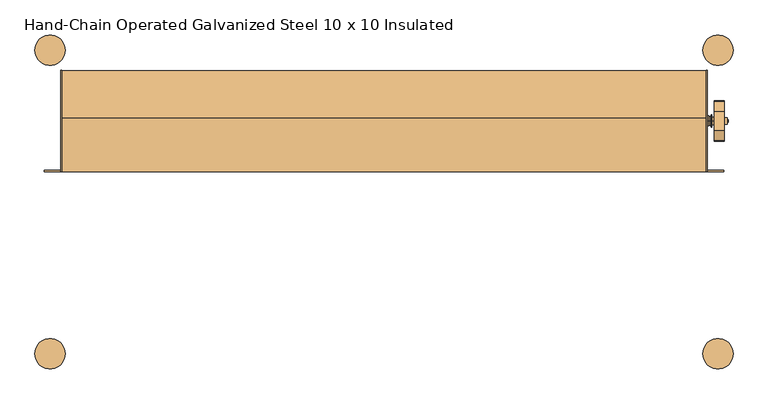
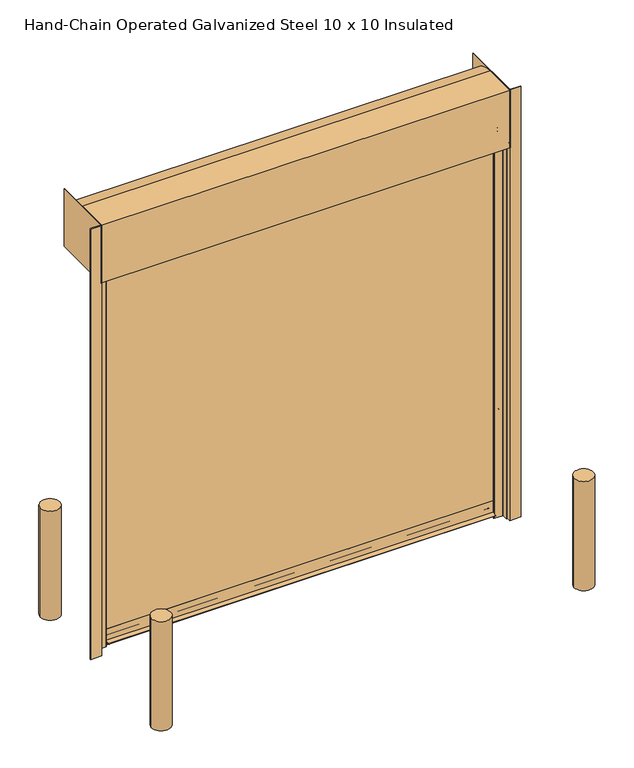
"""IFC4 building model written with IfcOpenShell, lengths in millimetres: door geometry, Hand-Chain Operated Galvanized Steel 10 x 10 Insulated."""

import ifcopenshell
import ifcopenshell.guid

model = None  # the IFC model being written
_history = None  # IfcOwnerHistory: only IFC2X3 demands one
_inside = {}  # id of a spatial element -> (the spatial element, [elements in it])
_under = {}  # id of a project, library or spatial element -> (it, [spatial elements below it])
_declared = {}  # id of a project -> (the project, [libraries it declares])
_typed = {}  # id of a type object -> (the type object, [elements of that type])
_made_of = {}  # id of a material, layer set ... -> (it, [elements and type objects made of it])


def new_model(schema):
    """Start an empty IFC model of exactly this schema.

    Asked for "IFC4X3", IfcOpenShell would pick the latest addendum, in which some entities
    have other attributes; the version numbers below select the first issue.
    IFC2X3 requires an IfcOwnerHistory on every rooted entity: one is made here for all.
    """
    global model, _history
    if schema == "IFC4X3":
        model = ifcopenshell.file(schema_version=(4, 3, 0, 0))
    else:
        model = ifcopenshell.file(schema=schema)
    _inside.clear()
    _under.clear()
    _declared.clear()
    _typed.clear()
    _made_of.clear()
    _history = None
    if model.schema == "IFC2X3":
        org = make("IfcOrganization", Name="unknown")
        user = make(
            "IfcPersonAndOrganization",
            ThePerson=make("IfcPerson", FamilyName="unknown"),
            TheOrganization=org,
        )
        app = make(
            "IfcApplication",
            ApplicationDeveloper=org,
            Version="unknown",
            ApplicationFullName="unknown",
            ApplicationIdentifier="unknown",
        )
        _history = make(
            "IfcOwnerHistory",
            OwningUser=user,
            OwningApplication=app,
            ChangeAction="ADDED",
            CreationDate=0,
        )
    return model


def make(cls, **values):
    """One entity of the class cls with the attributes given. An attribute that is None is left unset."""
    return model.create_entity(
        cls, **{name: value for name, value in values.items() if value is not None}
    )


def rooted(cls, **values):
    """An entity with a GlobalId (a new one), such as an element, a storey or a relation."""
    return make(cls, GlobalId=ifcopenshell.guid.new(), OwnerHistory=_history, **values)


def si_unit(unit_type, name, prefix=None):
    """IfcSIUnit, for example si_unit("LENGTHUNIT", "METRE", prefix="MILLI")."""
    return make("IfcSIUnit", UnitType=unit_type, Prefix=prefix, Name=name)


def assignment(units):
    """IfcUnitAssignment: the units of a project."""
    return None if units is None else make("IfcUnitAssignment", Units=units)


def point(xyz):
    """IfcCartesianPoint."""
    return None if xyz is None else make("IfcCartesianPoint", Coordinates=xyz)


def direction(xyz):
    """IfcDirection."""
    return None if xyz is None else make("IfcDirection", DirectionRatios=xyz)


def frame(location, z_axis=None, x_axis=None):
    """IfcAxis2Placement3D, a coordinate frame: its origin and axes. An axis left out is left unset."""
    return make(
        "IfcAxis2Placement3D",
        Location=point(location),
        Axis=direction(z_axis),
        RefDirection=direction(x_axis),
    )


def frame_2d(location, x_axis=None):
    """IfcAxis2Placement2D, a coordinate frame in the plane: its origin and x axis."""
    return make(
        "IfcAxis2Placement2D", Location=point(location), RefDirection=direction(x_axis)
    )


def origin():
    """The frame at (0, 0, 0) with its axes left unset."""
    return frame((0.0, 0.0, 0.0))


def origin_with_axes():
    """The frame at (0, 0, 0) with the z axis (0, 0, 1) and the x axis (1, 0, 0) written out."""
    return frame((0.0, 0.0, 0.0), z_axis=(0.0, 0.0, 1.0), x_axis=(1.0, 0.0, 0.0))


def place(relative_to, where):
    """IfcLocalPlacement: puts the frame where relative to a parent placement (None: the world)."""
    return make(
        "IfcLocalPlacement", PlacementRelTo=relative_to, RelativePlacement=where
    )


def context(
    kind, dimensions, precision=None, world=None, true_north=None, identifier=None
):
    """IfcGeometricRepresentationContext, for example the 3D "Model" context."""
    return make(
        "IfcGeometricRepresentationContext",
        ContextIdentifier=identifier,
        ContextType=kind,
        CoordinateSpaceDimension=dimensions,
        Precision=precision,
        WorldCoordinateSystem=world,
        TrueNorth=true_north,
    )


def project(units=None, contexts=None):
    """IfcProject with its units and contexts."""
    return rooted(
        "IfcProject",
        Name="project",
        RepresentationContexts=contexts,
        UnitsInContext=assignment(units),
    )


def spatial(cls, under=None, at=None, **own):
    """A site, building, storey or space (cls), placed at a placement, below another one or the project."""
    s = rooted(cls, ObjectPlacement=at, **own)
    if under is not None:
        _under.setdefault(under.id(), (under, []))[1].append(s)
    return s


def polyline(points):
    """IfcPolyline through the points."""
    return make("IfcPolyline", Points=[point(p) for p in points])


def circle_curve(where, radius):
    """IfcCircle in the frame where."""
    return make("IfcCircle", Position=where, Radius=radius)


def ellipse_curve(where, semi_axis1, semi_axis2):
    """IfcEllipse in the frame where."""
    return make(
        "IfcEllipse", Position=where, SemiAxis1=semi_axis1, SemiAxis2=semi_axis2
    )


def trimmed(basis, trim1, trim2, sense, master):
    """IfcTrimmedCurve: the piece of a basis curve between two trims."""
    return make(
        "IfcTrimmedCurve",
        BasisCurve=basis,
        Trim1=trim1,
        Trim2=trim2,
        SenseAgreement=sense,
        MasterRepresentation=master,
    )


def segment(curve, same_sense, transition):
    """IfcCompositeCurveSegment."""
    return make(
        "IfcCompositeCurveSegment",
        Transition=transition,
        SameSense=same_sense,
        ParentCurve=curve,
    )


def composite_curve(segments, self_intersect=None):
    """IfcCompositeCurve: segments joined end to end."""
    return make("IfcCompositeCurve", Segments=segments, SelfIntersect=self_intersect)


def outline(outer, holes=None, kind="AREA"):
    """IfcArbitraryClosedProfileDef: a profile drawn as a closed curve; with holes, ...WithVoids."""
    if holes is None:
        return make("IfcArbitraryClosedProfileDef", ProfileType=kind, OuterCurve=outer)
    return make(
        "IfcArbitraryProfileDefWithVoids",
        ProfileType=kind,
        OuterCurve=outer,
        InnerCurves=holes,
    )


def extrude(swept, where, along, depth):
    """IfcExtrudedAreaSolid: the profile swept, set in the frame where, extruded along a direction by depth."""
    return make(
        "IfcExtrudedAreaSolid",
        SweptArea=swept,
        Position=where,
        ExtrudedDirection=direction(along),
        Depth=depth,
    )


def shape(context_of_items, identifier, shape_type, items):
    """IfcShapeRepresentation: the items that make up one representation, for example the "Body"."""
    return make(
        "IfcShapeRepresentation",
        ContextOfItems=context_of_items,
        RepresentationIdentifier=identifier,
        RepresentationType=shape_type,
        Items=items,
    )


def source(mapping_origin, context_of_items, identifier, shape_type, items):
    """IfcRepresentationMap: a shape defined once, which mapped items show again and again."""
    return make(
        "IfcRepresentationMap",
        MappingOrigin=mapping_origin,
        MappedRepresentation=shape(context_of_items, identifier, shape_type, items),
    )


def transform(
    local_origin,
    x_axis=None,
    y_axis=None,
    z_axis=None,
    scale=None,
    scale2=None,
    scale3=None,
    uniform=True,
):
    """IfcCartesianTransformationOperator3D, or its non-uniform kind. x_axis, y_axis, z_axis: its Axis1, 2, 3."""
    if uniform:
        return make(
            "IfcCartesianTransformationOperator3D",
            Axis1=direction(x_axis),
            Axis2=direction(y_axis),
            LocalOrigin=point(local_origin),
            Scale=scale,
            Axis3=direction(z_axis),
        )
    return make(
        "IfcCartesianTransformationOperator3DnonUniform",
        Axis1=direction(x_axis),
        Axis2=direction(y_axis),
        LocalOrigin=point(local_origin),
        Scale=scale,
        Axis3=direction(z_axis),
        Scale2=scale2,
        Scale3=scale3,
    )


def mapped(mapping_source, mapping_target):
    """IfcMappedItem: shows the shape of a source again, moved by a transform."""
    return make(
        "IfcMappedItem", MappingSource=mapping_source, MappingTarget=mapping_target
    )


def made_of(thing, what):
    """Note that an element or type object is made of a material, layer set ...; save() writes the relation."""
    if what is not None:
        _made_of.setdefault(what.id(), (what, []))[1].append(thing)
    return thing


def element(
    cls,
    number,
    at=None,
    inside=None,
    cuts=None,
    type_object=None,
    material=None,
    context=None,
    identifier="Body",
    shape_type=None,
    held_by="IfcProductDefinitionShape",
    body=None,
    shapes=None,
    **own,
):
    """One element of the class cls, such as IfcWall. Its Tag is "e" and its number.

    at: its placement. inside: the storey or other place that contains it. cuts: it is an
    opening in that element (IfcRelVoidsElement). A single representation is given by context,
    identifier, shape_type and body (its items); several are given by shapes. held_by: the class
    of the entity that holds the representations. save() writes the other relations.
    """
    e = rooted(cls, Tag="e%d" % number, ObjectPlacement=at, **own)
    if body is not None:
        shapes = [shape(context, identifier, shape_type, body)]
    if shapes is not None:
        e.Representation = make(held_by, Representations=shapes)
    if inside is not None:
        _inside.setdefault(inside.id(), (inside, []))[1].append(e)
    if cuts is not None:
        rooted(
            "IfcRelVoidsElement", RelatingBuildingElement=cuts, RelatedOpeningElement=e
        )
    if type_object is not None:
        _typed.setdefault(type_object.id(), (type_object, []))[1].append(e)
    return made_of(e, material)


def aggregate(whole, parts):
    """IfcRelAggregates: a whole, such as a stair, and the parts it consists of."""
    return rooted("IfcRelAggregates", RelatingObject=whole, RelatedObjects=parts)


def save(model, path):
    """Write the relations noted so far, then the file.

    IfcRelAggregates (storeys below a building ...), IfcRelContainedInSpatialStructure (elements
    in a storey), IfcRelDefinesByType, IfcRelAssociatesMaterial and IfcRelDeclares: one each for
    every whole, place, type object, material and project.
    """
    for whole, parts in _under.values():
        aggregate(whole, parts)
    for where, things in _inside.values():
        rooted(
            "IfcRelContainedInSpatialStructure",
            RelatedElements=things,
            RelatingStructure=where,
        )
    for kind, things in _typed.values():
        rooted("IfcRelDefinesByType", RelatedObjects=things, RelatingType=kind)
    for what, things in _made_of.values():
        rooted("IfcRelAssociatesMaterial", RelatedObjects=things, RelatingMaterial=what)
    for by, libraries in _declared.values():
        rooted("IfcRelDeclares", RelatingContext=by, RelatedDefinitions=libraries)
    model.write(path)


def plane_surface(at):
    """IfcPlane: the flat surface through the origin of the frame at, square to its z axis."""
    return make("IfcPlane", Position=at)


def cylinder_surface(at, radius):
    """IfcCylindricalSurface: all points at the distance radius from the z axis of the frame at."""
    return make("IfcCylindricalSurface", Position=at, Radius=radius)


def revolved_surface(curve, axis_point, axis_direction):
    """IfcSurfaceOfRevolution: the curve turned about the line through axis_point along axis_direction."""
    return make(
        "IfcSurfaceOfRevolution",
        SweptCurve=make("IfcArbitraryOpenProfileDef", ProfileType="CURVE", Curve=curve),
        AxisPosition=make("IfcAxis1Placement", Location=point(axis_point), Axis=direction(axis_direction)),
    )


def advanced_brep(points, edges, surfaces, faces):
    """IfcAdvancedBrep: a solid bounded by faces that lie on surfaces and meet in shared edges.

    An edge is (start, end): straight between two places in points (the first is 0);
    or (start, end, curve); or (start, end, curve, False) where it runs against its curve.
    A face is (place in surfaces, loops), or (place, loops, False) where it looks against
    its surface's normal. A loop lists edges by number (the first is 1), with a minus sign
    where the edge is run from its end to its start. The first loop is the outer one.
    """
    corners = [point(p) for p in points]
    vertices = [make("IfcVertexPoint", VertexGeometry=c) for c in corners]
    made = []
    for start, end, *more in edges:
        made.append(
            make(
                "IfcEdgeCurve",
                EdgeStart=vertices[start],
                EdgeEnd=vertices[end],
                EdgeGeometry=more[0] if more else make("IfcPolyline", Points=[corners[start], corners[end]]),
                SameSense=more[1] if len(more) > 1 else True,
            )
        )
    hull = []
    for where, loops, *sense in faces:
        bounds = []
        for j, loop in enumerate(loops):
            ring = [make("IfcOrientedEdge", EdgeElement=made[abs(k) - 1], Orientation=k > 0) for k in loop]
            bounds.append(
                make(
                    "IfcFaceOuterBound" if j == 0 else "IfcFaceBound",
                    Bound=make("IfcEdgeLoop", EdgeList=ring),
                    Orientation=True,
                )
            )
        hull.append(make("IfcAdvancedFace", Bounds=bounds, FaceSurface=surfaces[where], SameSense=sense[0] if sense else True))
    return make("IfcAdvancedBrep", Outer=make("IfcClosedShell", CfsFaces=hull))


def hand_chain_operated_galvanized_steel_10_x_10_insulated_cacea066(model_context):
    return source(origin(), model_context, "Body", "SolidModel", [
        extrude(outline(composite_curve([segment(trimmed(circle_curve(frame_2d((-762.0, 762.0)), 76.2), [point((-838.2, 762.0))], [point((-685.8, 762.0))], False, "CARTESIAN"), True, "CONTINUOUS"), segment(trimmed(circle_curve(frame_2d((-762.0, 762.0)), 76.2), [point((-685.8, 762.0))], [point((-838.2, 762.0))], False, "CARTESIAN"), True, "CONTINUOUS")], self_intersect=False)), origin_with_axes(), (0.0, 0.0, 1.0), 914.4),
        extrude(outline(composite_curve([segment(trimmed(circle_curve(frame_2d((2590.8, 762.0)), 76.2), [point((2514.6, 762.0))], [point((2667.0, 762.0))], False, "CARTESIAN"), True, "CONTINUOUS"), segment(trimmed(circle_curve(frame_2d((2590.8, 762.0)), 76.2), [point((2667.0, 762.0))], [point((2514.6, 762.0))], False, "CARTESIAN"), True, "CONTINUOUS")], self_intersect=False)), origin_with_axes(), (0.0, 0.0, 1.0), 914.4),
        extrude(outline(composite_curve([segment(trimmed(circle_curve(frame_2d((2590.8, -762.0)), 76.2), [point((2667.0, -762.0))], [point((2514.6, -762.0))], False, "CARTESIAN"), True, "CONTINUOUS"), segment(trimmed(circle_curve(frame_2d((2590.8, -762.0)), 76.2), [point((2514.6, -762.0))], [point((2667.0, -762.0))], False, "CARTESIAN"), True, "CONTINUOUS")], self_intersect=False)), origin_with_axes(), (0.0, 0.0, 1.0), 914.4),
        extrude(outline(composite_curve([segment(trimmed(circle_curve(frame_2d((-762.0, -762.0)), 76.2), [point((-838.2, -762.0))], [point((-685.8, -762.0))], False, "CARTESIAN"), True, "CONTINUOUS"), segment(trimmed(circle_curve(frame_2d((-762.0, -762.0)), 76.2), [point((-685.8, -762.0))], [point((-838.2, -762.0))], False, "CARTESIAN"), True, "CONTINUOUS")], self_intersect=False)), origin_with_axes(), (0.0, 0.0, 1.0), 914.4),
        extrude(outline(polyline([(-709.6252, 660.4), (-703.2752, 660.4), (-703.2752, 152.4), (-709.6252, 152.4), (-709.6252, 660.4)])), frame((0.0, 0.0, 3124.2), z_axis=(0.0, 0.0, 1.0), x_axis=(1.0, 0.0, 0.0)), (0.0, 0.0, 1.0), 482.6),
        advanced_brep(
        [(2622.6309604, 455.9483399, 3233.6469387), (2622.6309604, 356.8516601, 3233.6469387), (2622.6309604, 310.1951464, 3112.1025652), (2622.6309604, 309.5625, 3108.6891105), (2622.6309604, 309.5625, 3055.6877303), (2622.6309604, 305.4933116, 3045.7069784), (2622.6309604, 307.2003, 3041.65), (2622.6309604, 346.8751, 3041.65), (2622.6309604, 348.5820884, 3045.7069784), (2622.6309604, 344.7479873, 3058.267727), (2622.6309604, 357.2129, 3073.4), (2622.6309604, 366.3647733, 3073.4), (2622.6309604, 446.4352267, 3073.4), (2622.6309604, 455.5871, 3073.4), (2622.6309604, 468.2871, 3060.7), (2622.6309604, 468.2871, 3055.6877303), (2622.6309604, 464.2179116, 3045.7069784), (2622.6309604, 465.9249, 3041.65), (2622.6309604, 505.5997, 3041.65), (2622.6309604, 507.3066884, 3045.7069784), (2622.6309604, 503.2375, 3055.6877303), (2622.6309604, 503.2375, 3110.4544649), (2622.6309604, 390.525, 3152.775), (2622.6309604, 422.275, 3152.775), (2571.8309604, 455.9483399, 3233.6469387), (2571.8309604, 503.2375, 3110.4544649), (2571.8309604, 503.2375, 3055.6877303), (2571.8309604, 507.3066884, 3045.7069784), (2571.8309604, 505.5997, 3041.65), (2571.8309604, 465.9249, 3041.65), (2571.8309604, 464.2179116, 3045.7069784), (2571.8309604, 468.2871, 3055.6877303), (2571.8309604, 468.2871, 3060.7), (2571.8309604, 455.5871, 3073.4), (2571.8309604, 446.4352267, 3073.4), (2571.8309604, 366.3647733, 3073.4), (2571.8309604, 357.2129, 3073.4), (2571.8309604, 344.7479873, 3058.267727), (2571.8309604, 348.5820884, 3045.7069784), (2571.8309604, 346.8751, 3041.65), (2571.8309604, 307.2003, 3041.65), (2571.8309604, 305.4933116, 3045.7069784), (2571.8309604, 309.5625, 3055.6877303), (2571.8309604, 309.5625, 3108.6891105), (2571.8309604, 310.1951464, 3112.1025652), (2571.8309604, 356.8516601, 3233.6469387), (2571.8309604, 406.4, 3172.3965), (2571.8309604, 406.4, 3134.2965), (2636.9184604, 422.275, 3152.775), (2636.9184604, 390.525, 3152.775), (2636.9184604, 406.4, 3143.8215), (2636.9184604, 406.4, 3162.8715), (2643.1875, 406.4, 3146.9965), (2640.0125, 406.4, 3143.8215), (2640.0125, 406.4, 3162.8715), (2643.1875, 406.4, 3159.6965), (2643.1875, 406.4, 3153.3465), (2538.4125, 406.4, 3127.9465), (2538.4125, 406.4, 3153.3465), (2538.4125, 406.4, 3178.7465), (2544.7625, 406.4, 3178.7465), (2544.7625, 406.4, 3127.9465), (2544.7625, 406.4, 3174.7841), (2544.7625, 406.4, 3131.9089), (2554.8971, 406.4, 3174.7841), (2554.8971, 406.4, 3131.9089), (2554.8971, 406.4, 3178.62585), (2554.8971, 406.4, 3128.06715), (2556.4846, 406.4, 3184.97585), (2556.4846, 406.4, 3121.71715), (2559.05, 406.4, 3184.97585), (2559.05, 406.4, 3121.71715), (2560.6375, 406.4, 3178.62585), (2560.6375, 406.4, 3128.06715), (2560.6375, 406.4, 3172.3965), (2560.6375, 406.4, 3134.2965)],
        [
            (0, 1, circle_curve(frame((2622.6309604, 406.4, 3152.775), z_axis=(1.0, 0.0, 0.0), x_axis=(0.0, -1.0, 0.0)), 94.8436)),
            (1, 2),
            (2, 3, circle_curve(frame((2622.6309604, 319.0875, 3108.6891105), z_axis=(1.0, 0.0, 0.0), x_axis=(0.0, -1.0, 0.0)), 9.525)),
            (3, 4),
            (4, 5, circle_curve(frame((2622.6309604, 295.2877, 3055.6877303), z_axis=(-1.0, 0.0, 0.0), x_axis=(0.0, -1.0, 0.0)), 14.2748)),
            (5, 6, circle_curve(frame((2622.6309604, 307.2003, 3044.0376), z_axis=(1.0, 0.0, 0.0), x_axis=(0.0, -1.0, 0.0)), 2.3876)),
            (6, 7),
            (7, 8, circle_curve(frame((2622.6309604, 346.8751, 3044.0376), z_axis=(1.0, 0.0, 0.0), x_axis=(0.0, -1.0, 0.0)), 2.3876)),
            (8, 9, circle_curve(frame((2622.6309604, 358.7877, 3055.6877303), z_axis=(-1.0, 0.0, 0.0), x_axis=(0.0, -1.0, 0.0)), 14.2748)),
            (9, 10, circle_curve(frame((2622.6309604, 357.2129, 3060.7), z_axis=(-1.0, 0.0, 0.0), x_axis=(0.0, -1.0, 0.0)), 12.7)),
            (10, 11),
            (11, 12, circle_curve(frame((2622.6309604, 406.4, 3152.775), z_axis=(1.0, 0.0, 0.0), x_axis=(0.0, -1.0, 0.0)), 88.9)),
            (12, 13),
            (13, 14, circle_curve(frame((2622.6309604, 455.5871, 3060.7), z_axis=(-1.0, 0.0, 0.0), x_axis=(0.0, -1.0, 0.0)), 12.7)),
            (14, 15),
            (15, 16, circle_curve(frame((2622.6309604, 454.0123, 3055.6877303), z_axis=(-1.0, 0.0, 0.0), x_axis=(0.0, -1.0, 0.0)), 14.2748)),
            (16, 17, circle_curve(frame((2622.6309604, 465.9249, 3044.0376), z_axis=(1.0, 0.0, 0.0), x_axis=(0.0, -1.0, 0.0)), 2.3876)),
            (17, 18),
            (18, 19, circle_curve(frame((2622.6309604, 505.5997, 3044.0376), z_axis=(1.0, 0.0, 0.0), x_axis=(0.0, -1.0, 0.0)), 2.3876)),
            (19, 20, circle_curve(frame((2622.6309604, 517.5123, 3055.6877303), z_axis=(-1.0, 0.0, 0.0), x_axis=(0.0, -1.0, 0.0)), 14.2748)),
            (20, 21),
            (21, 0),
            (22, 23, circle_curve(frame((2622.6309604, 406.4, 3152.775), z_axis=(-1.0, 0.0, 0.0), x_axis=(0.0, -1.0, 0.0)), 15.875)),
            (23, 22, circle_curve(frame((2622.6309604, 406.4, 3152.775), z_axis=(-1.0, 0.0, 0.0), x_axis=(0.0, -1.0, 0.0)), 15.875)),
            (24, 25),
            (25, 26),
            (26, 27, circle_curve(frame((2571.8309604, 517.5123, 3055.6877303), z_axis=(1.0, 0.0, 0.0), x_axis=(0.0, -1.0, 0.0)), 14.2748)),
            (27, 28, circle_curve(frame((2571.8309604, 505.5997, 3044.0376), z_axis=(-1.0, 0.0, 0.0), x_axis=(0.0, -1.0, 0.0)), 2.3876)),
            (28, 29),
            (29, 30, circle_curve(frame((2571.8309604, 465.9249, 3044.0376), z_axis=(-1.0, 0.0, 0.0), x_axis=(0.0, -1.0, 0.0)), 2.3876)),
            (30, 31, circle_curve(frame((2571.8309604, 454.0123, 3055.6877303), z_axis=(1.0, 0.0, 0.0), x_axis=(0.0, -1.0, 0.0)), 14.2748)),
            (31, 32),
            (32, 33, circle_curve(frame((2571.8309604, 455.5871, 3060.7), z_axis=(1.0, 0.0, 0.0), x_axis=(0.0, -1.0, 0.0)), 12.7)),
            (33, 34),
            (34, 35, circle_curve(frame((2571.8309604, 406.4, 3152.775), z_axis=(-1.0, 0.0, 0.0), x_axis=(0.0, -1.0, 0.0)), 88.9)),
            (35, 36),
            (36, 37, circle_curve(frame((2571.8309604, 357.2129, 3060.7), z_axis=(1.0, 0.0, 0.0), x_axis=(0.0, -1.0, 0.0)), 12.7)),
            (37, 38, circle_curve(frame((2571.8309604, 358.7877, 3055.6877303), z_axis=(1.0, 0.0, 0.0), x_axis=(0.0, -1.0, 0.0)), 14.2748)),
            (38, 39, circle_curve(frame((2571.8309604, 346.8751, 3044.0376), z_axis=(-1.0, 0.0, 0.0), x_axis=(0.0, -1.0, 0.0)), 2.3876)),
            (39, 40),
            (40, 41, circle_curve(frame((2571.8309604, 307.2003, 3044.0376), z_axis=(-1.0, 0.0, 0.0), x_axis=(0.0, -1.0, 0.0)), 2.3876)),
            (41, 42, circle_curve(frame((2571.8309604, 295.2877, 3055.6877303), z_axis=(1.0, 0.0, 0.0), x_axis=(0.0, -1.0, 0.0)), 14.2748)),
            (42, 43),
            (43, 44, circle_curve(frame((2571.8309604, 319.0875, 3108.6891105), z_axis=(-1.0, 0.0, 0.0), x_axis=(0.0, -1.0, 0.0)), 9.525)),
            (44, 45),
            (45, 24, circle_curve(frame((2571.8309604, 406.4, 3152.775), z_axis=(-1.0, 0.0, 0.0), x_axis=(0.0, -1.0, 0.0)), 94.8436)),
            (46, 47, circle_curve(frame((2571.8309604, 406.4, 3153.3465), z_axis=(1.0, 0.0, 0.0), x_axis=(0.0, 0.0, 1.0)), 19.05)),
            (47, 46, circle_curve(frame((2571.8309604, 406.4, 3153.3465), z_axis=(1.0, 0.0, 0.0), x_axis=(0.0, 0.0, 1.0)), 19.05)),
            (21, 25),
            (24, 0),
            (20, 26),
            (19, 27),
            (18, 28),
            (17, 29),
            (16, 30),
            (15, 31),
            (14, 32),
            (13, 33),
            (12, 34),
            (11, 35),
            (10, 36),
            (9, 37),
            (8, 38),
            (7, 39),
            (6, 40),
            (5, 41),
            (4, 42),
            (3, 43),
            (2, 44),
            (1, 45),
            (48, 49, circle_curve(frame((2636.9184604, 406.4, 3152.775), z_axis=(1.0, 0.0, 0.0), x_axis=(0.0, -1.0, 0.0)), 15.875)),
            (49, 48, circle_curve(frame((2636.9184604, 406.4, 3152.775), z_axis=(1.0, 0.0, 0.0), x_axis=(0.0, -1.0, 0.0)), 15.875)),
            (50, 51, circle_curve(frame((2636.9184604, 406.4, 3153.3465), z_axis=(-1.0, 0.0, 0.0), x_axis=(0.0, 0.0, 1.0)), 9.525)),
            (51, 50, circle_curve(frame((2636.9184604, 406.4, 3153.3465), z_axis=(-1.0, 0.0, 0.0), x_axis=(0.0, 0.0, 1.0)), 9.525)),
            (49, 22),
            (23, 48),
            (52, 53),
            (53, 54, circle_curve(frame((2640.0125, 406.4, 3153.3465), z_axis=(1.0, 0.0, 0.0), x_axis=(0.0, 0.0, 1.0)), 9.525)),
            (54, 55),
            (55, 52, circle_curve(frame((2643.1875, 406.4, 3153.3465), z_axis=(-1.0, 0.0, 0.0), x_axis=(0.0, 0.0, 1.0)), 6.35)),
            (54, 53, circle_curve(frame((2640.0125, 406.4, 3153.3465), z_axis=(1.0, 0.0, 0.0), x_axis=(0.0, 0.0, 1.0)), 9.525)),
            (52, 55, circle_curve(frame((2643.1875, 406.4, 3153.3465), z_axis=(-1.0, 0.0, 0.0), x_axis=(0.0, 0.0, 1.0)), 6.35)),
            (55, 56),
            (56, 52),
            (53, 50),
            (51, 54),
            (57, 58),
            (58, 59),
            (59, 57, circle_curve(frame((2538.4125, 406.4, 3153.3465), z_axis=(-1.0, 0.0, 0.0), x_axis=(0.0, 0.0, 1.0)), 25.4)),
            (57, 59, circle_curve(frame((2538.4125, 406.4, 3153.3465), z_axis=(-1.0, 0.0, 0.0), x_axis=(0.0, 0.0, 1.0)), 25.4)),
            (59, 60),
            (60, 61, circle_curve(frame((2544.7625, 406.4, 3153.3465), z_axis=(-1.0, 0.0, 0.0), x_axis=(0.0, 0.0, 1.0)), 25.4)),
            (61, 57),
            (61, 60, circle_curve(frame((2544.7625, 406.4, 3153.3465), z_axis=(-1.0, 0.0, 0.0), x_axis=(0.0, 0.0, 1.0)), 25.4)),
            (60, 62),
            (62, 63, circle_curve(frame((2544.7625, 406.4, 3153.3465), z_axis=(-1.0, 0.0, 0.0), x_axis=(0.0, 0.0, 1.0)), 21.4376)),
            (63, 61),
            (63, 62, circle_curve(frame((2544.7625, 406.4, 3153.3465), z_axis=(-1.0, 0.0, 0.0), x_axis=(0.0, 0.0, 1.0)), 21.4376)),
            (62, 64),
            (64, 65, circle_curve(frame((2554.8971, 406.4, 3153.3465), z_axis=(-1.0, 0.0, 0.0), x_axis=(0.0, 0.0, 1.0)), 21.4376)),
            (65, 63),
            (65, 64, circle_curve(frame((2554.8971, 406.4, 3153.3465), z_axis=(-1.0, 0.0, 0.0), x_axis=(0.0, 0.0, 1.0)), 21.4376)),
            (64, 66),
            (66, 67, circle_curve(frame((2554.8971, 406.4, 3153.3465), z_axis=(-1.0, 0.0, 0.0), x_axis=(0.0, 0.0, 1.0)), 25.27935)),
            (67, 65),
            (67, 66, circle_curve(frame((2554.8971, 406.4, 3153.3465), z_axis=(-1.0, 0.0, 0.0), x_axis=(0.0, 0.0, 1.0)), 25.27935)),
            (66, 68),
            (68, 69, circle_curve(frame((2556.4846, 406.4, 3153.3465), z_axis=(-1.0, 0.0, 0.0), x_axis=(0.0, 0.0, 1.0)), 31.62935)),
            (69, 67),
            (69, 68, circle_curve(frame((2556.4846, 406.4, 3153.3465), z_axis=(-1.0, 0.0, 0.0), x_axis=(0.0, 0.0, 1.0)), 31.62935)),
            (68, 70),
            (70, 71, circle_curve(frame((2559.05, 406.4, 3153.3465), z_axis=(-1.0, 0.0, 0.0), x_axis=(0.0, 0.0, 1.0)), 31.62935)),
            (71, 69),
            (71, 70, circle_curve(frame((2559.05, 406.4, 3153.3465), z_axis=(-1.0, 0.0, 0.0), x_axis=(0.0, 0.0, 1.0)), 31.62935)),
            (70, 72),
            (72, 73, circle_curve(frame((2560.6375, 406.4, 3153.3465), z_axis=(-1.0, 0.0, 0.0), x_axis=(0.0, 0.0, 1.0)), 25.27935)),
            (73, 71),
            (73, 72, circle_curve(frame((2560.6375, 406.4, 3153.3465), z_axis=(-1.0, 0.0, 0.0), x_axis=(0.0, 0.0, 1.0)), 25.27935)),
            (72, 74),
            (74, 75, circle_curve(frame((2560.6375, 406.4, 3153.3465), z_axis=(-1.0, 0.0, 0.0), x_axis=(0.0, 0.0, 1.0)), 19.05)),
            (75, 73),
            (75, 74, circle_curve(frame((2560.6375, 406.4, 3153.3465), z_axis=(-1.0, 0.0, 0.0), x_axis=(0.0, 0.0, 1.0)), 19.05)),
            (74, 46),
            (47, 75),
        ],
        [
            plane_surface(frame((2622.6309604, 456.1174554, 3233.2063779), z_axis=(1.0, 0.0, 0.0), x_axis=(0.0, 0.3583679495453003, -0.9335804264972017))),
            plane_surface(frame((2571.8309604, 456.1174554, 3233.2063779), z_axis=(-1.0, 0.0, 0.0), x_axis=(0.0, -0.3583679495453003, 0.9335804264972017))),
            plane_surface(frame((2622.6309604, 455.9483399, 3233.6469387), z_axis=(0.0, 0.9335804264972017, 0.3583679495453003), x_axis=(-1.0, 0.0, 0.0))),
            plane_surface(frame((2622.6309604, 503.2375, 3110.4544649), z_axis=(0.0, 1.0, 0.0), x_axis=(-1.0, 0.0, 0.0))),
            revolved_surface(polyline([(2571.8309604, 503.23749999999995, 3055.6877303), (2622.6309604, 503.23749999999995, 3055.6877303)]), (2571.8309604, 517.5123, 3055.6877303), (-1.0, 0.0, 0.0)),
            cylinder_surface(frame((2571.8309604, 505.5997, 3044.0376), z_axis=(1.0, 0.0, 0.0), x_axis=(0.0, -1.0, 0.0)), 2.3876),
            plane_surface(frame((2622.6309604, 505.5997, 3041.65), z_axis=(0.0, 0.0, -1.0), x_axis=(-1.0, 0.0, 0.0))),
            cylinder_surface(frame((2571.8309604, 465.9249, 3044.0376), z_axis=(1.0, 0.0, 0.0), x_axis=(0.0, -1.0, 0.0)), 2.3876),
            revolved_surface(polyline([(2571.8309604, 439.73749999999995, 3055.6877303), (2622.6309604, 439.73749999999995, 3055.6877303)]), (2571.8309604, 454.0123, 3055.6877303), (-1.0, 0.0, 0.0)),
            plane_surface(frame((2622.6309604, 468.2871, 3055.6877303), z_axis=(0.0, -1.0, 0.0), x_axis=(-1.0, 0.0, 0.0))),
            revolved_surface(polyline([(2571.8309604, 442.88710000000003, 3060.7), (2622.6309604, 442.88710000000003, 3060.7)]), (2571.8309604, 455.5871, 3060.7), (-1.0, 0.0, 0.0)),
            plane_surface(frame((2622.6309604, 455.5871, 3073.4), z_axis=(0.0, 0.0, -1.0), x_axis=(-1.0, 0.0, 0.0))),
            cylinder_surface(frame((2571.8309604, 406.4, 3152.775), z_axis=(1.0, 0.0, 0.0), x_axis=(0.0, -1.0, 0.0)), 88.9),
            plane_surface(frame((2622.6309604, 366.3647733, 3073.4), z_axis=(0.0, 0.0, -1.0), x_axis=(-1.0, 0.0, 0.0))),
            revolved_surface(polyline([(2571.8309604, 344.5129, 3060.7), (2622.6309604, 344.5129, 3060.7)]), (2571.8309604, 357.2129, 3060.7), (-1.0, 0.0, 0.0)),
            revolved_surface(polyline([(2571.8309604, 344.51289999999995, 3055.6877303), (2622.6309604, 344.51289999999995, 3055.6877303)]), (2571.8309604, 358.7877, 3055.6877303), (-1.0, 0.0, 0.0)),
            cylinder_surface(frame((2571.8309604, 346.8751, 3044.0376), z_axis=(1.0, 0.0, 0.0), x_axis=(0.0, -1.0, 0.0)), 2.3876),
            plane_surface(frame((2622.6309604, 346.8751, 3041.65), z_axis=(0.0, 0.0, -1.0), x_axis=(-1.0, 0.0, 0.0))),
            cylinder_surface(frame((2571.8309604, 307.2003, 3044.0376), z_axis=(1.0, 0.0, 0.0), x_axis=(0.0, -1.0, 0.0)), 2.3876),
            revolved_surface(polyline([(2571.8309604, 281.01289999999995, 3055.6877303), (2622.6309604, 281.01289999999995, 3055.6877303)]), (2571.8309604, 295.2877, 3055.6877303), (-1.0, 0.0, 0.0)),
            plane_surface(frame((2622.6309604, 309.5625, 3055.6877303), z_axis=(0.0, -1.0, 0.0), x_axis=(-1.0, 0.0, 0.0))),
            cylinder_surface(frame((2571.8309604, 319.0875, 3108.6891105), z_axis=(1.0, 0.0, 0.0), x_axis=(0.0, -1.0, 0.0)), 9.525),
            plane_surface(frame((2622.6309604, 310.1951464, 3112.1025652), z_axis=(0.0, -0.9335804264972019, 0.35836794954530005), x_axis=(-1.0, 0.0, 0.0))),
            cylinder_surface(frame((2571.8309604, 406.4, 3152.775), z_axis=(1.0, 0.0, 0.0), x_axis=(0.0, -1.0, 0.0)), 94.8436),
            plane_surface(frame((2636.9184604, 390.525, 3152.775), z_axis=(1.0, 0.0, 0.0), x_axis=(0.0, 0.0, 1.0))),
            cylinder_surface(frame((2606.7305604, 406.4, 3152.775), z_axis=(1.0, 0.0, 0.0), x_axis=(0.0, -1.0, 0.0)), 15.875),
            revolved_surface(polyline([(2640.0125, 406.4, 3162.8715), (2643.1875, 406.4, 3159.6965)]), (2571.8309604, 406.4, 3153.3465), (1.0, 0.0, 0.0)),
            plane_surface(frame((2643.1875, 406.4, 3153.3465), z_axis=(1.0, 0.0, 0.0), x_axis=(0.0, 0.0, 1.0))),
            cylinder_surface(frame((2571.8309604, 406.4, 3153.3465), z_axis=(1.0, 0.0, 0.0), x_axis=(0.0, 0.0, 1.0)), 9.525),
            plane_surface(frame((2538.4125, 406.4, 3153.3465), z_axis=(-1.0, 0.0, 0.0), x_axis=(0.0, 0.0, 1.0))),
            cylinder_surface(frame((2571.8309604, 406.4, 3153.3465), z_axis=(1.0, 0.0, 0.0), x_axis=(0.0, 0.0, 1.0)), 25.4),
            plane_surface(frame((2544.7625, 406.4, 3153.3465), z_axis=(1.0, 0.0, 0.0), x_axis=(0.0, 0.0, 1.0))),
            cylinder_surface(frame((2571.8309604, 406.4, 3153.3465), z_axis=(1.0, 0.0, 0.0), x_axis=(0.0, 0.0, 1.0)), 21.4376),
            plane_surface(frame((2554.8971, 406.4, 3153.3465), z_axis=(-1.0, 0.0, 0.0), x_axis=(0.0, 0.0, 1.0))),
            revolved_surface(polyline([(2554.8971, 406.4, 3178.62585), (2556.4846, 406.4, 3184.97585)]), (2571.8309604, 406.4, 3153.3465), (1.0, 0.0, 0.0)),
            cylinder_surface(frame((2571.8309604, 406.4, 3153.3465), z_axis=(1.0, 0.0, 0.0), x_axis=(0.0, 0.0, 1.0)), 31.62935),
            revolved_surface(polyline([(2559.05, 406.4, 3184.97585), (2560.6375, 406.4, 3178.62585)]), (2571.8309604, 406.4, 3153.3465), (1.0, 0.0, 0.0)),
            plane_surface(frame((2560.6375, 406.4, 3153.3465), z_axis=(1.0, 0.0, 0.0), x_axis=(0.0, 0.0, 1.0))),
            cylinder_surface(frame((2571.8309604, 406.4, 3153.3465), z_axis=(1.0, 0.0, 0.0), x_axis=(0.0, 0.0, 1.0)), 19.05),
        ],
        [
            (0, [[1, 2, 3, 4, 5, 6, 7, 8, 9, 10, 11, 12, 13, 14, 15, 16, 17, 18, 19, 20, 21, 22], [23, 24]]),
            (1, [[25, 26, 27, 28, 29, 30, 31, 32, 33, 34, 35, 36, 37, 38, 39, 40, 41, 42, 43, 44, 45, 46], [47, 48]]),
            (2, [[49, -25, 50, -22]]),
            (3, [[51, -26, -49, -21]]),
            (4, [[52, -27, -51, -20]]),
            (5, [[53, -28, -52, -19]]),
            (6, [[54, -29, -53, -18]]),
            (7, [[55, -30, -54, -17]]),
            (8, [[56, -31, -55, -16]]),
            (9, [[57, -32, -56, -15]]),
            (10, [[58, -33, -57, -14]]),
            (11, [[59, -34, -58, -13]]),
            (12, [[60, -35, -59, -12]]),
            (13, [[61, -36, -60, -11]]),
            (14, [[62, -37, -61, -10]]),
            (15, [[63, -38, -62, -9]]),
            (16, [[64, -39, -63, -8]]),
            (17, [[65, -40, -64, -7]]),
            (18, [[66, -41, -65, -6]]),
            (19, [[67, -42, -66, -5]]),
            (20, [[68, -43, -67, -4]]),
            (21, [[69, -44, -68, -3]]),
            (22, [[70, -45, -69, -2]]),
            (23, [[-50, -46, -70, -1]]),
            (24, [[71, 72], [73, 74]]),
            (25, [[75, -24, 76, -72]]),
            (25, [[-76, -23, -75, -71]]),
            (26, [[77, 78, 79, 80]]),
            (26, [[81, -77, 82, -79]]),
            (27, [[83, 84, -80]]),
            (27, [[-84, -83, -82]]),
            (28, [[85, -74, 86, -78]]),
            (28, [[-86, -73, -85, -81]]),
            (29, [[87, 88, 89]]),
            (29, [[-87, 90, -88]]),
            (30, [[91, 92, 93, -89]]),
            (30, [[-93, 94, -91, -90]]),
            (31, [[95, 96, 97, -92]]),
            (31, [[-97, 98, -95, -94]]),
            (32, [[99, 100, 101, -96]]),
            (32, [[-101, 102, -99, -98]]),
            (33, [[103, 104, 105, -100]]),
            (33, [[-105, 106, -103, -102]]),
            (34, [[107, 108, 109, -104]]),
            (34, [[-109, 110, -107, -106]]),
            (35, [[111, 112, 113, -108]]),
            (35, [[-113, 114, -111, -110]]),
            (36, [[115, 116, 117, -112]]),
            (36, [[-117, 118, -115, -114]]),
            (37, [[119, 120, 121, -116]]),
            (37, [[-121, 122, -119, -118]]),
            (38, [[123, -48, 124, -120]]),
            (38, [[-124, -47, -123, -122]]),
        ],
    ),
        advanced_brep(
        [(2600.9659087, 328.6125, 3124.2), (2593.3340913, 328.6125, 3124.2), (2593.3340913, 328.6125, 825.5), (2600.9659087, 328.6125, 825.5), (2593.3340913, 487.3625, 825.5), (2600.9659087, 487.3625, 825.5), (2600.9659087, 487.3625, 3124.2), (2593.3340913, 487.3625, 3124.2)],
        [
            (0, 1, circle_curve(frame((2597.15, 328.6125, 3124.2), z_axis=(0.0, 0.0, 1.0), x_axis=(-1.0, 0.0, 0.0)), 3.8159087)),
            (1, 0, circle_curve(frame((2597.15, 328.6125, 3124.2), z_axis=(0.0, 0.0, 1.0), x_axis=(-1.0, 0.0, 0.0)), 3.8159087)),
            (1, 2),
            (2, 3, circle_curve(frame((2597.15, 328.6125, 825.5), z_axis=(0.0, 0.0, 1.0), x_axis=(-1.0, 0.0, 0.0)), 3.8159087)),
            (3, 0),
            (3, 2, circle_curve(frame((2597.15, 328.6125, 825.5), z_axis=(0.0, 0.0, 1.0), x_axis=(-1.0, 0.0, 0.0)), 3.8159087)),
            (4, 5, circle_curve(frame((2597.15, 487.3625, 825.5), z_axis=(0.0, 0.0, -1.0), x_axis=(-1.0, 0.0, 0.0)), 3.8159087)),
            (5, 3, circle_curve(frame((2600.9659087, 407.9875, 825.5), z_axis=(-1.0, 0.0, 0.0), x_axis=(0.0, -1.0, 0.0)), 79.375)),
            (2, 4, circle_curve(frame((2593.3340913, 407.9875, 825.5), z_axis=(1.0, 0.0, 0.0), x_axis=(0.0, -1.0, 0.0)), 79.375)),
            (5, 4, circle_curve(frame((2597.15, 487.3625, 825.5), z_axis=(0.0, 0.0, -1.0), x_axis=(-1.0, 0.0, 0.0)), 3.8159087)),
            (6, 7, circle_curve(frame((2597.15, 487.3625, 3124.2), z_axis=(0.0, 0.0, 1.0), x_axis=(-1.0, 0.0, 0.0)), 3.8159087)),
            (7, 6, circle_curve(frame((2597.15, 487.3625, 3124.2), z_axis=(0.0, 0.0, 1.0), x_axis=(-1.0, 0.0, 0.0)), 3.8159087)),
            (4, 7),
            (6, 5),
        ],
        [
            plane_surface(frame((2597.15, 328.6125, 3124.2), z_axis=(0.0, 0.0, 1.0), x_axis=(-1.0, 0.0, 0.0))),
            cylinder_surface(frame((2597.15, 328.6125, 3124.2), z_axis=(0.0, 0.0, 1.0), x_axis=(-1.0, 0.0, 0.0)), 3.8159087),
            revolved_surface(trimmed(ellipse_curve(frame((2597.15, 328.6125, 825.5), z_axis=(0.0, 0.0, -1.0), x_axis=(-1.0, 0.0, 0.0)), 3.8159087, 3.8159087), [point((2600.9659087, 328.6125, 825.5))], [point((2593.3340913, 328.6125, 825.5))], True, "CARTESIAN"), (2597.15, 407.9875, 825.5), (-1.0, 0.0, 0.0)),
            revolved_surface(trimmed(ellipse_curve(frame((2597.15, 328.6125, 825.5), z_axis=(0.0, 0.0, -1.0), x_axis=(-1.0, 0.0, 0.0)), 3.8159087, 3.8159087), [point((2593.3340913, 328.6125, 825.5))], [point((2600.9659087, 328.6125, 825.5))], True, "CARTESIAN"), (2597.15, 407.9875, 825.5), (-1.0, 0.0, 0.0)),
            plane_surface(frame((2597.15, 487.3625, 3124.2), z_axis=(0.0, 0.0, 1.0), x_axis=(-1.0, 0.0, 0.0))),
            cylinder_surface(frame((2597.15, 487.3625, 825.5), z_axis=(0.0, 0.0, -1.0), x_axis=(-1.0, 0.0, 0.0)), 3.8159087),
        ],
        [
            (0, [[1, 2]]),
            (1, [[3, 4, 5, -2]]),
            (1, [[-5, 6, -3, -1]]),
            (2, [[7, 8, -4, 9]]),
            (3, [[10, -9, -6, -8]]),
            (4, [[11, 12]]),
            (5, [[13, -11, 14, -7]]),
            (5, [[-14, -12, -13, -10]]),
        ],
    ),
        extrude(outline(polyline([(2538.4125, 152.4), (2532.0625, 152.4), (2532.0625, 660.4), (2538.4125, 660.4), (2538.4125, 152.4)])), frame((0.0, 0.0, 3124.2), z_axis=(0.0, 0.0, 1.0), x_axis=(1.0, 0.0, 0.0)), (0.0, 0.0, 1.0), 482.6),
        advanced_brep(
        [(2538.4252, 238.125, 3124.2), (2535.2502, 241.3, 3124.2), (2532.0752, 241.3, 3124.2), (2532.0752, 152.4, 3124.2), (2538.4252, 152.4, 3124.2), (2538.4252, 161.925, 3124.2), (2532.0752, 152.4, 0.0), (2532.0752, 241.3, 0.0), (2535.2502, 241.3, 0.0), (2538.4252, 238.125, 0.0), (2538.4252, 161.925, 0.0), (2541.6002, 158.75, 0.0), (2617.8002, 158.75, 0.0), (2620.9752, 155.575, 0.0), (2620.9752, 152.4, 0.0), (2620.9752, 152.4, 3606.8), (2538.4252, 152.4, 3606.8), (2541.6002, 158.75, 3606.8), (2538.4252, 161.925, 3606.8), (2620.9752, 155.575, 3606.8), (2617.8002, 158.75, 3606.8)],
        [
            (0, 1, circle_curve(frame((2535.2502, 238.125, 3124.2), z_axis=(0.0, 0.0, 1.0), x_axis=(-1.0, 0.0, 0.0)), 3.175)),
            (1, 2),
            (2, 3),
            (3, 4),
            (4, 5),
            (5, 0),
            (6, 7),
            (7, 8),
            (8, 9, circle_curve(frame((2535.2502, 238.125, 0.0), z_axis=(0.0, 0.0, -1.0), x_axis=(-1.0, 0.0, 0.0)), 3.175)),
            (9, 10),
            (10, 11, circle_curve(frame((2541.6002, 161.925, 0.0), z_axis=(0.0, 0.0, 1.0), x_axis=(-1.0, 0.0, 0.0)), 3.175)),
            (11, 12),
            (12, 13, circle_curve(frame((2617.8002, 155.575, 0.0), z_axis=(0.0, 0.0, -1.0), x_axis=(-1.0, 0.0, 0.0)), 3.175)),
            (13, 14),
            (14, 6),
            (9, 0),
            (5, 10),
            (8, 1),
            (7, 2),
            (6, 3),
            (14, 15),
            (15, 16),
            (16, 4),
            (17, 18, circle_curve(frame((2541.6002, 161.925, 3606.8), z_axis=(0.0, 0.0, -1.0), x_axis=(-1.0, 0.0, 0.0)), 3.175)),
            (18, 16),
            (15, 19),
            (19, 20, circle_curve(frame((2617.8002, 155.575, 3606.8), z_axis=(0.0, 0.0, 1.0), x_axis=(-1.0, 0.0, 0.0)), 3.175)),
            (20, 17),
            (17, 11),
            (5, 18),
            (13, 19),
            (12, 20),
        ],
        [
            plane_surface(frame((2532.0752, 238.125, 3124.2), z_axis=(0.0, 0.0, 1.0), x_axis=(0.0, -1.0, 0.0))),
            plane_surface(frame((2532.0752, 238.125, 0.0), z_axis=(0.0, 0.0, -1.0), x_axis=(0.0, 1.0, 0.0))),
            plane_surface(frame((2538.4252, 152.4, 3124.2), z_axis=(1.0, 0.0, 0.0), x_axis=(0.0, 0.0, -1.0))),
            cylinder_surface(frame((2535.2502, 238.125, 0.0), z_axis=(0.0, 0.0, 1.0), x_axis=(-1.0, 0.0, 0.0)), 3.175),
            plane_surface(frame((2535.2502, 241.3, 3124.2), z_axis=(0.0, 1.0, 0.0), x_axis=(0.0, 0.0, -1.0))),
            plane_surface(frame((2532.0752, 241.3, 3124.2), z_axis=(-1.0, 0.0, 0.0), x_axis=(0.0, 0.0, -1.0))),
            plane_surface(frame((2532.0752, 152.4, 3124.2), z_axis=(0.0, -1.0, 0.0), x_axis=(0.0, 0.0, -1.0))),
            plane_surface(frame((2538.4252, 161.925, 3606.8), z_axis=(0.0, 0.0, 1.0), x_axis=(0.0, 1.0, 0.0))),
            revolved_surface(polyline([(2538.4251999999997, 161.925, 0.0), (2538.4251999999997, 161.925, 3606.8)]), (2541.6002, 161.925, 0.0), (0.0, 0.0, -1.0)),
            plane_surface(frame((2538.4252, 161.925, 3606.8), z_axis=(-1.0, 0.0, 0.0), x_axis=(0.0, 0.0, -1.0))),
            plane_surface(frame((2620.9752, 152.4, 3606.8), z_axis=(1.0, 0.0, 0.0), x_axis=(0.0, 0.0, -1.0))),
            cylinder_surface(frame((2617.8002, 155.575, 0.0), z_axis=(0.0, 0.0, 1.0), x_axis=(-1.0, 0.0, 0.0)), 3.175),
            plane_surface(frame((2617.8002, 158.75, 3606.8), z_axis=(0.0, 1.0, 0.0), x_axis=(0.0, 0.0, -1.0))),
        ],
        [
            (0, [[1, 2, 3, 4, 5, 6]]),
            (1, [[7, 8, 9, 10, 11, 12, 13, 14, 15]]),
            (2, [[16, -6, 17, -10]]),
            (3, [[-1, -16, -9, 18]]),
            (4, [[-2, -18, -8, 19]]),
            (5, [[-3, -19, -7, 20]]),
            (6, [[-4, -20, -15, 21, 22, 23]]),
            (7, [[24, 25, -22, 26, 27, 28]]),
            (8, [[-24, 29, -11, -17, 30]]),
            (9, [[-25, -30, -5, -23]]),
            (10, [[-26, -21, -14, 31]]),
            (11, [[-27, -31, -13, 32]]),
            (12, [[-28, -32, -12, -29]]),
        ],
    ),
        extrude(outline(composite_curve([segment(polyline([(2524.9314515, 268.2874998), (2458.2564515, 268.2874998)]), True, "CONTINUOUS"), segment(trimmed(circle_curve(frame_2d((2458.2564515, 270.6687498)), 2.38125), [point((2458.2564515, 268.2874998))], [point((2455.8752015, 270.6687498))], False, "CARTESIAN"), True, "CONTINUOUS"), segment(polyline([(2455.8752015, 270.6687498), (2455.8752015, 273.0499998), (2532.0752015, 273.0499998), (2532.0752015, 196.8499998), (2529.6939515, 196.8499998)]), True, "CONTINUOUS"), segment(trimmed(circle_curve(frame_2d((2529.6939515, 199.2312498)), 2.38125), [point((2529.6939515, 196.8499998))], [point((2527.3127015, 199.2312498))], False, "CARTESIAN"), True, "CONTINUOUS"), segment(polyline([(2527.3127015, 199.2312498), (2527.3127015, 265.9062498)]), True, "CONTINUOUS"), segment(trimmed(circle_curve(frame_2d((2524.9314515, 265.9062498)), 2.38125), [point((2527.3127015, 265.9062498))], [point((2524.9314515, 268.2874998))], True, "CARTESIAN"), True, "CONTINUOUS")], self_intersect=False)), origin_with_axes(), (0.0, 0.0, 1.0), 3124.2),
        extrude(outline(composite_curve([segment(polyline([(2451.1127015, 233.3624998), (2527.3127015, 233.3624998), (2527.3127015, 182.5624998), (2524.9314515, 182.5624998)]), True, "CONTINUOUS"), segment(trimmed(circle_curve(frame_2d((2524.9314515, 184.9437498)), 2.38125), [point((2524.9314515, 182.5624998))], [point((2522.5502015, 184.9437498))], False, "CARTESIAN"), True, "CONTINUOUS"), segment(polyline([(2522.5502015, 184.9437498), (2522.5502015, 226.2187498)]), True, "CONTINUOUS"), segment(trimmed(circle_curve(frame_2d((2520.1689515, 226.2187498)), 2.38125), [point((2522.5502015, 226.2187498))], [point((2520.1689515, 228.5999998))], True, "CARTESIAN"), True, "CONTINUOUS"), segment(polyline([(2520.1689515, 228.5999998), (2453.4939515, 228.5999998)]), True, "CONTINUOUS"), segment(trimmed(circle_curve(frame_2d((2453.4939515, 230.9812498)), 2.38125), [point((2453.4939515, 228.5999998))], [point((2451.1127015, 230.9812498))], False, "CARTESIAN"), True, "CONTINUOUS"), segment(polyline([(2451.1127015, 230.9812498), (2451.1127015, 233.3624998)]), True, "CONTINUOUS")], self_intersect=False)), origin_with_axes(), (0.0, 0.0, 1.0), 3124.2),
        advanced_brep(
        [(-709.6252, 238.125, 3124.2), (-709.6252, 161.925, 3124.2), (-709.6252, 152.4, 3124.2), (-703.2752, 152.4, 3124.2), (-703.2752, 241.3, 3124.2), (-706.4502, 241.3, 3124.2), (-703.2752, 152.4, 0.0), (-792.1752, 152.4, 0.0), (-792.1752, 155.575, 0.0), (-789.0002, 158.75, 0.0), (-712.8002, 158.75, 0.0), (-709.6252, 161.925, 0.0), (-709.6252, 238.125, 0.0), (-706.4502, 241.3, 0.0), (-703.2752, 241.3, 0.0), (-709.6252, 152.4, 3606.8), (-792.1752, 152.4, 3606.8), (-712.8002, 158.75, 3606.8), (-789.0002, 158.75, 3606.8), (-792.1752, 155.575, 3606.8), (-709.6252, 161.925, 3606.8)],
        [
            (0, 1),
            (1, 2),
            (2, 3),
            (3, 4),
            (4, 5),
            (5, 0, circle_curve(frame((-706.4502, 238.125, 3124.2), z_axis=(0.0, 0.0, 1.0), x_axis=(1.0, 0.0, 0.0)), 3.175)),
            (6, 7),
            (7, 8),
            (8, 9, circle_curve(frame((-789.0002, 155.575, 0.0), z_axis=(0.0, 0.0, -1.0), x_axis=(1.0, 0.0, 0.0)), 3.175)),
            (9, 10),
            (10, 11, circle_curve(frame((-712.8002, 161.925, 0.0), z_axis=(0.0, 0.0, 1.0), x_axis=(1.0, 0.0, 0.0)), 3.175)),
            (11, 12),
            (12, 13, circle_curve(frame((-706.4502, 238.125, 0.0), z_axis=(0.0, 0.0, -1.0), x_axis=(1.0, 0.0, 0.0)), 3.175)),
            (13, 14),
            (14, 6),
            (5, 13),
            (12, 0),
            (4, 14),
            (3, 6),
            (2, 15),
            (15, 16),
            (16, 7),
            (11, 1),
            (17, 18),
            (18, 19, circle_curve(frame((-789.0002, 155.575, 3606.8), z_axis=(0.0, 0.0, 1.0), x_axis=(1.0, 0.0, 0.0)), 3.175)),
            (19, 16),
            (15, 20),
            (20, 17, circle_curve(frame((-712.8002, 161.925, 3606.8), z_axis=(0.0, 0.0, -1.0), x_axis=(1.0, 0.0, 0.0)), 3.175)),
            (20, 1),
            (10, 17),
            (19, 8),
            (18, 9),
        ],
        [
            plane_surface(frame((-703.2752, 238.125, 3124.2), z_axis=(0.0, 0.0, 1.0), x_axis=(0.0, -1.0, 0.0))),
            plane_surface(frame((-703.2752, 238.125, 0.0), z_axis=(0.0, 0.0, -1.0), x_axis=(0.0, 1.0, 0.0))),
            cylinder_surface(frame((-706.4502, 238.125, 0.0), z_axis=(0.0, 0.0, 1.0), x_axis=(1.0, 0.0, 0.0)), 3.175),
            plane_surface(frame((-706.4502, 241.3, 3124.2), z_axis=(0.0, 1.0, 0.0), x_axis=(0.0, 0.0, -1.0))),
            plane_surface(frame((-703.2752, 241.3, 3124.2), z_axis=(1.0, 0.0, 0.0), x_axis=(0.0, 0.0, -1.0))),
            plane_surface(frame((-703.2752, 152.4, 3124.2), z_axis=(0.0, -1.0, 0.0), x_axis=(0.0, 0.0, -1.0))),
            plane_surface(frame((-709.6252, 152.4, 3124.2), z_axis=(-1.0, 0.0, 0.0), x_axis=(0.0, 0.0, -1.0))),
            plane_surface(frame((-709.6252, 161.925, 3606.8), z_axis=(0.0, 0.0, 1.0), x_axis=(0.0, 1.0, 0.0))),
            revolved_surface(polyline([(-709.6252000000001, 161.925, 0.0), (-709.6252000000001, 161.925, 3606.8)]), (-712.8002, 161.925, 0.0), (0.0, 0.0, -1.0)),
            plane_surface(frame((-709.6252, 161.925, 3606.8), z_axis=(1.0, 0.0, 0.0), x_axis=(0.0, 0.0, -1.0))),
            plane_surface(frame((-792.1752, 152.4, 3606.8), z_axis=(-1.0, 0.0, 0.0), x_axis=(0.0, 0.0, -1.0))),
            cylinder_surface(frame((-789.0002, 155.575, 0.0), z_axis=(0.0, 0.0, 1.0), x_axis=(1.0, 0.0, 0.0)), 3.175),
            plane_surface(frame((-789.0002, 158.75, 3606.8), z_axis=(0.0, 1.0, 0.0), x_axis=(0.0, 0.0, -1.0))),
        ],
        [
            (0, [[1, 2, 3, 4, 5, 6]]),
            (1, [[7, 8, 9, 10, 11, 12, 13, 14, 15]]),
            (2, [[16, -13, 17, -6]]),
            (3, [[18, -14, -16, -5]]),
            (4, [[19, -15, -18, -4]]),
            (5, [[20, 21, 22, -7, -19, -3]]),
            (6, [[-12, 23, -1, -17]]),
            (7, [[24, 25, 26, -21, 27, 28]]),
            (8, [[29, -23, -11, 30, -28]]),
            (9, [[-20, -2, -29, -27]]),
            (10, [[31, -8, -22, -26]]),
            (11, [[32, -9, -31, -25]]),
            (12, [[-30, -10, -32, -24]]),
        ],
    ),
        extrude(outline(composite_curve([segment(trimmed(circle_curve(frame_2d((-696.1314515, 265.9062498)), 2.38125), [point((-696.1314515, 268.2874998))], [point((-698.5127015, 265.9062498))], True, "CARTESIAN"), True, "CONTINUOUS"), segment(polyline([(-698.5127015, 265.9062498), (-698.5127015, 199.2312498)]), True, "CONTINUOUS"), segment(trimmed(circle_curve(frame_2d((-700.8939515, 199.2312498)), 2.38125), [point((-698.5127015, 199.2312498))], [point((-700.8939515, 196.8499998))], False, "CARTESIAN"), True, "CONTINUOUS"), segment(polyline([(-700.8939515, 196.8499998), (-703.2752015, 196.8499998), (-703.2752015, 273.0499998), (-627.0752015, 273.0499998), (-627.0752015, 270.6687498)]), True, "CONTINUOUS"), segment(trimmed(circle_curve(frame_2d((-629.4564515, 270.6687498)), 2.38125), [point((-627.0752015, 270.6687498))], [point((-629.4564515, 268.2874998))], False, "CARTESIAN"), True, "CONTINUOUS"), segment(polyline([(-629.4564515, 268.2874998), (-696.1314515, 268.2874998)]), True, "CONTINUOUS")], self_intersect=False)), origin_with_axes(), (0.0, 0.0, 1.0), 3124.2),
        extrude(outline(composite_curve([segment(polyline([(-622.3127015, 233.3624998), (-622.3127015, 230.9812498)]), True, "CONTINUOUS"), segment(trimmed(circle_curve(frame_2d((-624.6939515, 230.9812498)), 2.38125), [point((-622.3127015, 230.9812498))], [point((-624.6939515, 228.5999998))], False, "CARTESIAN"), True, "CONTINUOUS"), segment(polyline([(-624.6939515, 228.5999998), (-691.3689515, 228.5999998)]), True, "CONTINUOUS"), segment(trimmed(circle_curve(frame_2d((-691.3689515, 226.2187498)), 2.38125), [point((-691.3689515, 228.5999998))], [point((-693.7502015, 226.2187498))], True, "CARTESIAN"), True, "CONTINUOUS"), segment(polyline([(-693.7502015, 226.2187498), (-693.7502015, 184.9437498)]), True, "CONTINUOUS"), segment(trimmed(circle_curve(frame_2d((-696.1314515, 184.9437498)), 2.38125), [point((-693.7502015, 184.9437498))], [point((-696.1314515, 182.5624998))], False, "CARTESIAN"), True, "CONTINUOUS"), segment(polyline([(-696.1314515, 182.5624998), (-698.5127015, 182.5624998), (-698.5127015, 233.3624998), (-622.3127015, 233.3624998)]), True, "CONTINUOUS")], self_intersect=False)), origin_with_axes(), (0.0, 0.0, 1.0), 3124.2),
        extrude(outline(composite_curve([segment(polyline([(240.337181, 140.5929688), (264.289381, 140.5929688), (264.289381, 43.7427688), (302.770381, 43.7427688)]), True, "CONTINUOUS"), segment(trimmed(circle_curve(frame_2d((302.770381, 42.5489688)), 1.1938), [point((302.770381, 43.7427688))], [point((303.964181, 42.5489688))], False, "CARTESIAN"), True, "CONTINUOUS"), segment(polyline([(303.964181, 42.5489688), (303.964181, 40.1613688)]), True, "CONTINUOUS"), segment(trimmed(circle_curve(frame_2d((302.770381, 40.1613688)), 1.1938), [point((303.964181, 40.1613688))], [point((302.770381, 38.9675688))], False, "CARTESIAN"), True, "CONTINUOUS"), segment(polyline([(302.770381, 38.9675688), (301.208281, 38.9675688)]), True, "CONTINUOUS"), segment(trimmed(circle_curve(frame_2d((301.208281, 39.7549688)), 0.7874), [point((301.208281, 38.9675688))], [point((300.420881, 39.7549688))], False, "CARTESIAN"), True, "CONTINUOUS"), segment(polyline([(300.420881, 39.7549688), (300.420881, 40.5677688)]), True, "CONTINUOUS"), segment(trimmed(circle_curve(frame_2d((299.633481, 40.5677688)), 0.7874), [point((300.420881, 40.5677688))], [point((299.633481, 41.3551688))], True, "CARTESIAN"), True, "CONTINUOUS"), segment(polyline([(299.633481, 41.3551688), (263.8702813, 41.3551688), (263.8702813, 11.4847687)]), True, "CONTINUOUS"), segment(trimmed(circle_curve(frame_2d((252.3640813, 11.4847687)), 11.5062), [point((263.8702813, 11.4847687))], [point((262.1278267, 5.3969191))], False, "CARTESIAN"), True, "CONTINUOUS"), segment(trimmed(circle_curve(frame_2d((252.3640813, 11.4847687)), 11.5062), [point((262.1278267, 5.3969191))], [point((256.8896028, 0.9059081))], False, "CARTESIAN"), True, "CONTINUOUS"), segment(trimmed(circle_curve(frame_2d((252.3640813, 11.4847687)), 11.5062), [point((256.8896028, 0.9059081))], [point((248.0725729, 0.8088335))], False, "CARTESIAN"), True, "CONTINUOUS"), segment(trimmed(circle_curve(frame_2d((252.3640813, 11.4847687)), 11.5062), [point((248.0725729, 0.8088335))], [point((242.3441554, 5.8284692))], False, "CARTESIAN"), True, "CONTINUOUS"), segment(trimmed(circle_curve(frame_2d((252.3640813, 11.4847687)), 11.5062), [point((242.3441554, 5.8284692))], [point((240.8578813, 11.4847687))], False, "CARTESIAN"), True, "CONTINUOUS"), segment(polyline([(240.8578813, 11.4847687), (240.8578813, 44.4601712), (206.6717964, 38.9675684), (201.7006976, 38.9675684)]), True, "CONTINUOUS"), segment(trimmed(circle_curve(frame_2d((202.757882, 39.5221129)), 1.1938), [point((201.7006976, 38.9675684))], [point((202.5685055, 40.7007965))], False, "CARTESIAN"), True, "CONTINUOUS"), segment(polyline([(202.5685055, 40.7007965), (240.337181, 46.7690062), (240.337181, 140.5929688)]), True, "CONTINUOUS")], self_intersect=False)), frame((-622.3, 0.0, 0.0), z_axis=(1.0, 0.0, 0.0), x_axis=(0.0, 1.0, 0.0)), (0.0, 0.0, 1.0), 3073.4),
        extrude(outline(composite_curve([segment(polyline([(152.4, 3606.8), (419.1, 3606.8)]), True, "CONTINUOUS"), segment(trimmed(circle_curve(frame_2d((419.1, 3365.5)), 241.3), [point((419.1, 3606.8))], [point((419.1, 3124.2))], False, "CARTESIAN"), True, "CONTINUOUS"), segment(polyline([(419.1, 3124.2), (152.4, 3124.2), (152.4, 3606.8)]), True, "CONTINUOUS")], self_intersect=False)), frame((-703.2752, 0.0, 0.0), z_axis=(1.0, 0.0, 0.0), x_axis=(0.0, 1.0, 0.0)), (0.0, 0.0, 1.0), 3235.3377),
        extrude(outline(polyline([(2478.0875, 264.289381), (2478.0875, 240.337181), (-649.2875, 240.337181), (-649.2875, 264.289381), (2478.0875, 264.289381)])), frame((0.0, 0.0, 140.5929687), z_axis=(0.0, 0.0, 1.0), x_axis=(1.0, 0.0, 0.0)), (0.0, 0.0, 1.0), 2983.6070313),
    ])


if __name__ == "__main__":
    model = new_model("IFC4")
    model_context = context("Model", 3, world=origin())
    ifc_project = project(units=[si_unit("LENGTHUNIT", "METRE", prefix="MILLI")], contexts=[model_context])
    site = spatial("IfcSite", under=ifc_project)
    building = spatial("IfcBuilding", under=site)
    placement = place(None, origin())
    hand_chain_operated_galvanized_steel_10_x_10_insulated_shape = hand_chain_operated_galvanized_steel_10_x_10_insulated_cacea066(model_context)
    element("IfcDoor", 1, ObjectType="Hand-Chain Operated Galvanized Steel 10 x 10 Insulated", at=placement, inside=building, context=model_context, shape_type="MappedRepresentation", body=[
        mapped(hand_chain_operated_galvanized_steel_10_x_10_insulated_shape, transform((0.0, 0.0, 0.0), x_axis=(1.0, 0.0, 0.0), y_axis=(0.0, 1.0, 0.0), z_axis=(0.0, 0.0, 1.0))),
    ])
    save(model, "model.ifc")
